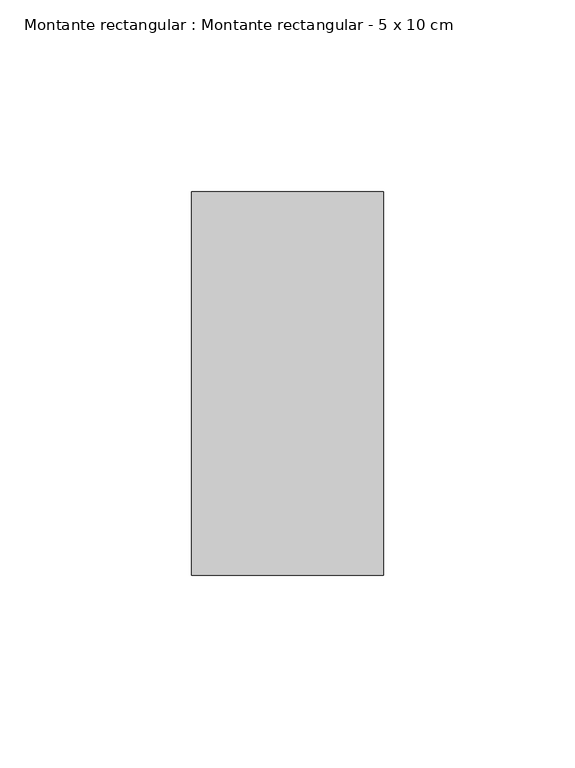
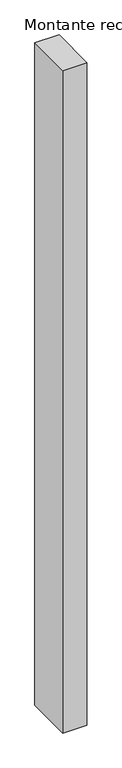
"""IFC4 building model written with IfcOpenShell, lengths in millimetres: member geometry, Montante rectangular : Montante rectangular - 5 x 10 cm."""

from ifc_helpers import new_model, si_unit, frame, origin, place, context, project, spatial, polyline, outline, extrude, source, transform, mapped, element, save


def montante_rectangular_montante_rectangular_5_x_10_cm_72884f66(model_context):
    return source(origin(), model_context, "Body", "SweptSolid", [
        extrude(outline(polyline([(-50.0, 50.0), (0.0, 50.0), (0.0, -50.0), (-50.0, -50.0), (-50.0, 50.0)])), frame((0.0, 0.0, -1450.0), z_axis=(0.0, 0.0, 1.0), x_axis=(1.0, 0.0, 0.0)), (0.0, 0.0, 1.0), 1450.0),
    ])


if __name__ == "__main__":
    model = new_model("IFC4")
    model_context = context("Model", 3, world=origin())
    ifc_project = project(units=[si_unit("LENGTHUNIT", "METRE", prefix="MILLI")], contexts=[model_context])
    site = spatial("IfcSite", under=ifc_project)
    building = spatial("IfcBuilding", under=site)
    placement = place(None, origin())
    montante_rectangular_montante_rectangular_5_x_10_cm_shape = montante_rectangular_montante_rectangular_5_x_10_cm_72884f66(model_context)
    element("IfcMember", 1, ObjectType="Montante rectangular : Montante rectangular - 5 x 10 cm", at=placement, inside=building, context=model_context, shape_type="MappedRepresentation", body=[
        mapped(montante_rectangular_montante_rectangular_5_x_10_cm_shape, transform((0.0, 0.0, 0.0), x_axis=(1.0, 0.0, 0.0), y_axis=(0.0, 1.0, 0.0), z_axis=(0.0, 0.0, 1.0))),
    ])
    save(model, "model.ifc")
